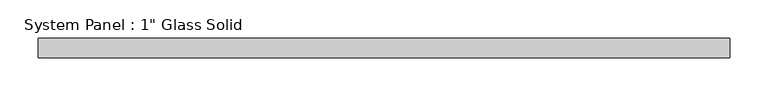
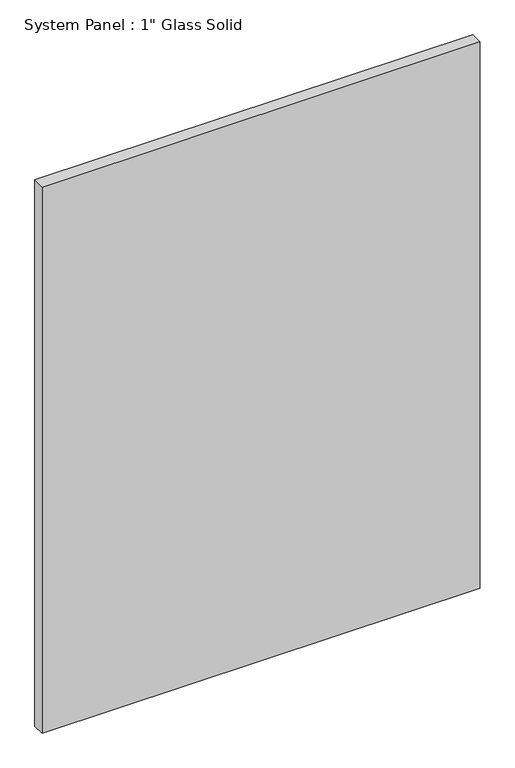
"""IFC4 building model written with IfcOpenShell, lengths in millimetres: plate geometry."""

from ifc_helpers import new_model, si_unit, origin, origin_with_axes, place, context, project, spatial, polyline, outline, extrude, source, transform, mapped, element, save


def plate_2d6b55f5(model_context):
    return source(origin(), model_context, "Body", "SweptSolid", [
        extrude(outline(polyline([(453.0180865, -12.7), (-453.0180865, -12.7), (-453.0180865, 12.7), (453.0180865, 12.7), (453.0180865, -12.7)])), origin_with_axes(), (0.0, 0.0, 1.0), 1193.8017704),
    ])


if __name__ == "__main__":
    model = new_model("IFC4")
    model_context = context("Model", 3, world=origin())
    ifc_project = project(units=[si_unit("LENGTHUNIT", "METRE", prefix="MILLI")], contexts=[model_context])
    site = spatial("IfcSite", under=ifc_project)
    building = spatial("IfcBuilding", under=site)
    placement = place(None, origin())
    plate_shape = plate_2d6b55f5(model_context)
    element("IfcPlate", 1, ObjectType="System Panel : 1\" Glass Solid", at=placement, inside=building, context=model_context, shape_type="MappedRepresentation", body=[
        mapped(plate_shape, transform((0.0, 0.0, 0.0), x_axis=(1.0, 0.0, 0.0), y_axis=(0.0, 1.0, 0.0), z_axis=(0.0, 0.0, 1.0))),
    ])
    save(model, "model.ifc")
